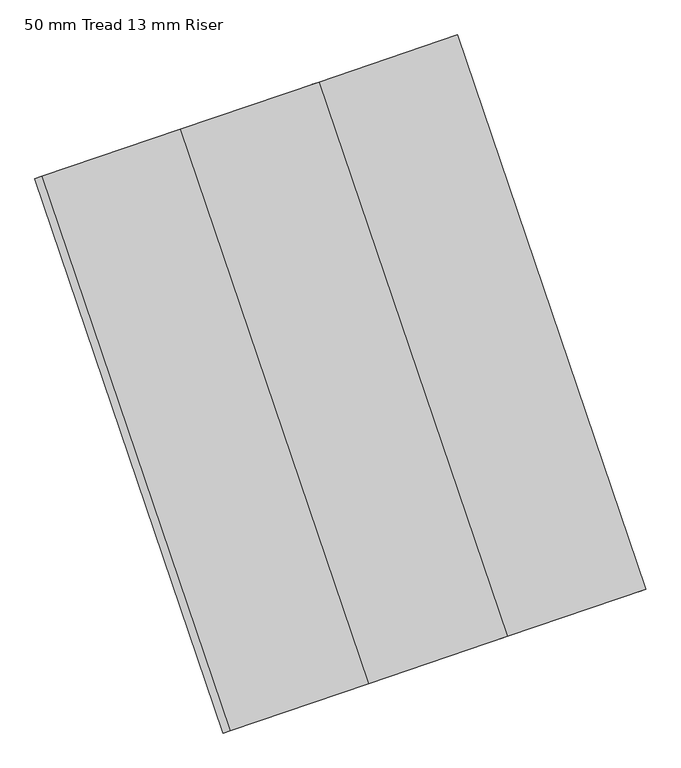
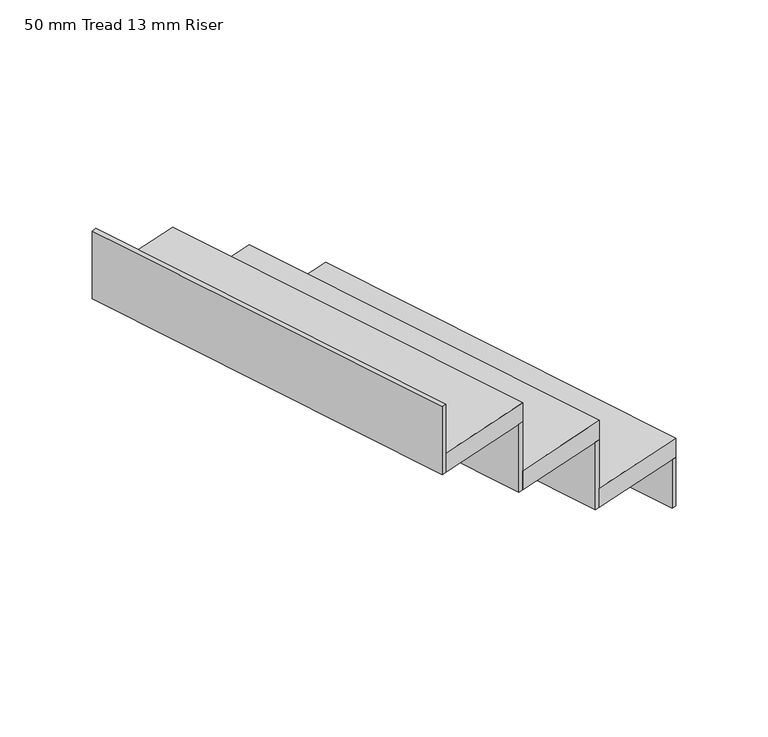
"""IFC4 building model written with IfcOpenShell, lengths in millimetres: stair flight geometry, 50 mm Tread 13 mm Riser."""

from ifc_helpers import new_model, si_unit, frame, origin, origin_with_axes, place, context, project, spatial, polyline, outline, extrude, source, transform, mapped, element, save


def stair_flight_50_mm_tread_13_mm_riser_6967f987(model_context):
    return source(origin(), model_context, "Body", "SweptSolid", [
        extrude(outline(polyline([(290108.3738809, 8397.4440898), (290120.2081148, 8401.4691249), (290442.2109233, 7454.7304116), (290430.3766894, 7450.7053765), (290108.3738809, 8397.4440898)])), origin_with_axes(), (0.0, 0.0, 1.0), 127.7777778),
        extrude(outline(polyline([(290205.526245, 7374.2297095), (289883.5234364, 8320.9684228), (290120.2081148, 8401.4691249), (290442.2109233, 7454.7304116), (290205.526245, 7374.2297095)])), frame((0.0, 0.0, 127.7777778), z_axis=(0.0, 0.0, 1.0), x_axis=(1.0, 0.0, 0.0)), (0.0, 0.0, 1.0), 50.0),
        extrude(outline(polyline([(289871.6892025, 8316.9433877), (289883.5234364, 8320.9684228), (290205.526245, 7374.2297095), (290193.6920111, 7370.2046744), (289871.6892025, 8316.9433877)])), frame((0.0, 0.0, 127.7777778), z_axis=(0.0, 0.0, 1.0), x_axis=(1.0, 0.0, 0.0)), (0.0, 0.0, 1.0), 177.7777778),
        extrude(outline(polyline([(289968.8415666, 7293.7290073), (289646.8387581, 8240.4677207), (289883.5234364, 8320.9684228), (290205.526245, 7374.2297095), (289968.8415666, 7293.7290073)])), frame((0.0, 0.0, 305.5555556), z_axis=(0.0, 0.0, 1.0), x_axis=(1.0, 0.0, 0.0)), (0.0, 0.0, 1.0), 50.0),
        extrude(outline(polyline([(289635.0045242, 8236.4426855), (289646.8387581, 8240.4677207), (289968.8415666, 7293.7290073), (289957.0073327, 7289.7039722), (289635.0045242, 8236.4426855)])), frame((0.0, 0.0, 305.5555556), z_axis=(0.0, 0.0, 1.0), x_axis=(1.0, 0.0, 0.0)), (0.0, 0.0, 1.0), 177.7777778),
        extrude(outline(polyline([(289398.3198459, 8155.9419834), (289410.1540798, 8159.9670185), (289732.1568883, 7213.2283052), (289720.3226544, 7209.2032701), (289398.3198459, 8155.9419834)])), frame((0.0, 0.0, 483.3333333), z_axis=(0.0, 0.0, 1.0), x_axis=(1.0, 0.0, 0.0)), (0.0, 0.0, 1.0), 177.7777778),
        extrude(outline(polyline([(289732.1568883, 7213.2283052), (289410.1540798, 8159.9670185), (289646.8387581, 8240.4677207), (289968.8415666, 7293.7290073), (289732.1568883, 7213.2283052)])), frame((0.0, 0.0, 483.3333333), z_axis=(0.0, 0.0, 1.0), x_axis=(1.0, 0.0, 0.0)), (0.0, 0.0, 1.0), 50.0),
    ])


if __name__ == "__main__":
    model = new_model("IFC4")
    model_context = context("Model", 3, world=origin())
    ifc_project = project(units=[si_unit("LENGTHUNIT", "METRE", prefix="MILLI")], contexts=[model_context])
    site = spatial("IfcSite", under=ifc_project)
    building = spatial("IfcBuilding", under=site)
    placement = place(None, origin())
    stair_flight_50_mm_tread_13_mm_riser_shape = stair_flight_50_mm_tread_13_mm_riser_6967f987(model_context)
    element("IfcStairFlight", 1, ObjectType="50 mm Tread 13 mm Riser", at=placement, inside=building, context=model_context, shape_type="MappedRepresentation", body=[
        mapped(stair_flight_50_mm_tread_13_mm_riser_shape, transform((0.0, 0.0, 0.0), x_axis=(1.0, 0.0, 0.0), y_axis=(0.0, 1.0, 0.0), z_axis=(0.0, 0.0, 1.0))),
    ])
    save(model, "model.ifc")
